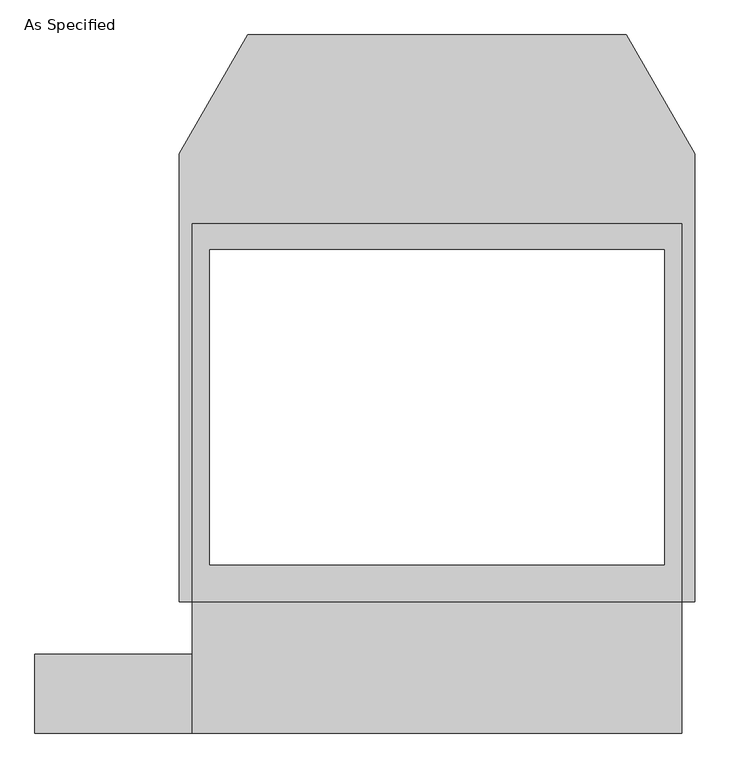
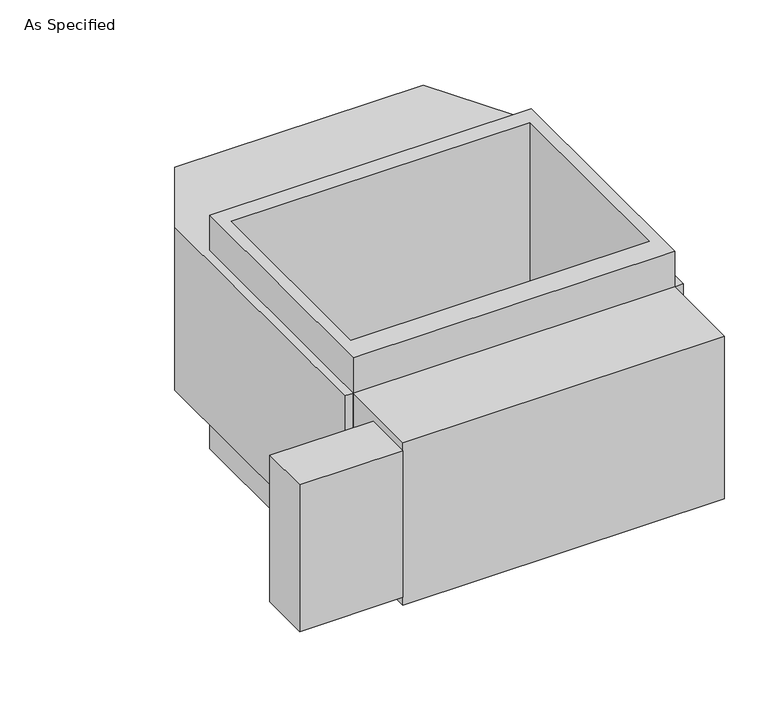
"""IFC4 building model written with IfcOpenShell, lengths in millimetres: proxy geometry, As Specified."""

from ifc_helpers import new_model, si_unit, frame, origin, place, context, project, spatial, polyline, outline, extrude, source, transform, mapped, element, save


def as_specified_ddf75968(model_context):
    return source(origin(), model_context, "Body", "SweptSolid", [
        extrude(outline(polyline([(-711.2, -1014.1148438), (-1168.4, -1014.1148438), (-1168.4, -785.5148438), (-711.2, -785.5148438), (-711.2, -1014.1148438)])), frame((0.0, 0.0, -749.3), z_axis=(0.0, 0.0, 1.0), x_axis=(1.0, 0.0, 0.0)), (0.0, 0.0, 1.0), 685.8),
        extrude(outline(polyline([(711.2, 465.4351562), (711.2, -633.1148438), (-711.2, -633.1148438), (-711.2, 465.4351562), (711.2, 465.4351562)]), holes=[polyline([(-660.4, 389.2748437), (-660.4, -525.1251563), (660.4, -525.1251563), (660.4, 389.2748437), (-660.4, 389.2748437)])]), frame((0.0, 0.0, -952.5), z_axis=(0.0, 0.0, 1.0), x_axis=(1.0, 0.0, 0.0)), (0.0, 0.0, 1.0), 1092.2),
        extrude(outline(polyline([(711.2, -1014.1148438), (-711.2, -1014.1148438), (-711.2, -633.1148438), (-749.3, -633.1148438), (-749.3, 668.6748437), (-549.860123, 1014.1148437), (549.860123, 1014.1148437), (749.3, 668.6748437), (749.3, -633.1148438), (711.2, -633.1148438), (711.2, -1014.1148438)]), holes=[polyline([(660.4, -525.1251563), (660.4, 389.2748437), (-660.4, 389.2748437), (-660.4, -525.1251563), (660.4, -525.1251563)])]), frame((0.0, 0.0, -787.4), z_axis=(0.0, 0.0, 1.0), x_axis=(1.0, 0.0, 0.0)), (0.0, 0.0, 1.0), 762.0),
    ])


if __name__ == "__main__":
    model = new_model("IFC4")
    model_context = context("Model", 3, world=origin())
    ifc_project = project(units=[si_unit("LENGTHUNIT", "METRE", prefix="MILLI")], contexts=[model_context])
    site = spatial("IfcSite", under=ifc_project)
    building = spatial("IfcBuilding", under=site)
    placement = place(None, origin())
    as_specified_shape = as_specified_ddf75968(model_context)
    element("IfcBuildingElementProxy", 1, Name="As Specified", ObjectType="As Specified", at=placement, inside=building, context=model_context, shape_type="MappedRepresentation", body=[
        mapped(as_specified_shape, transform((0.0, 0.0, 0.0), x_axis=(1.0, 0.0, 0.0), y_axis=(0.0, 1.0, 0.0), z_axis=(0.0, 0.0, 1.0))),
    ])
    save(model, "model.ifc")
